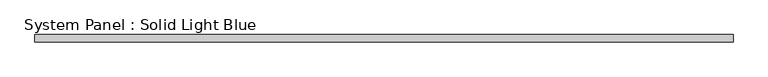
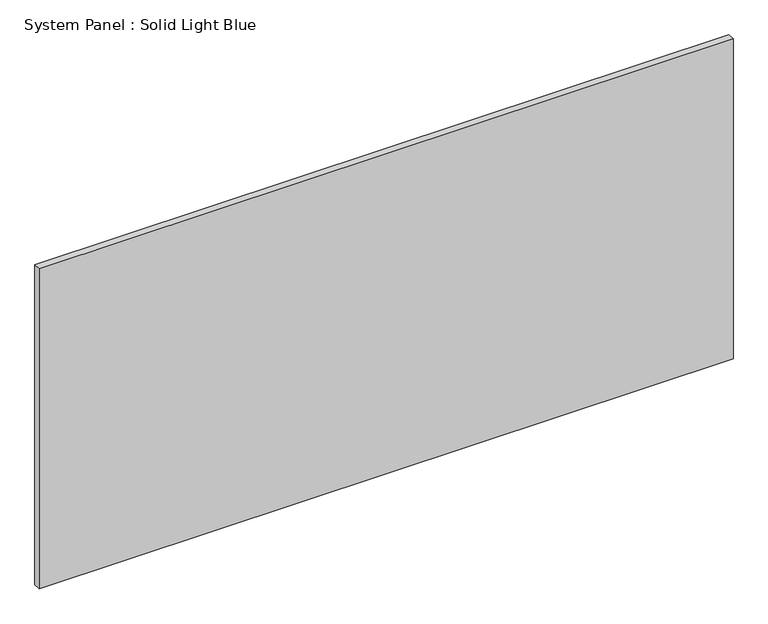
"""IFC4 building model written with IfcOpenShell, lengths in millimetres: plate geometry, System Panel : Solid Light Blue."""

from ifc_helpers import new_model, si_unit, origin, origin_with_axes, place, context, project, spatial, polyline, outline, extrude, source, transform, mapped, element, save


def system_panel_solid_light_blue_c04da586(model_context):
    return source(origin(), model_context, "Body", "SweptSolid", [
        extrude(outline(polyline([(2925.0, -30.0), (-2925.0, -30.0), (-2925.0, 30.0), (2925.0, 30.0), (2925.0, -30.0)])), origin_with_axes(), (0.0, 0.0, 1.0), 2850.0),
    ])


if __name__ == "__main__":
    model = new_model("IFC4")
    model_context = context("Model", 3, world=origin())
    ifc_project = project(units=[si_unit("LENGTHUNIT", "METRE", prefix="MILLI")], contexts=[model_context])
    site = spatial("IfcSite", under=ifc_project)
    building = spatial("IfcBuilding", under=site)
    placement = place(None, origin())
    system_panel_solid_light_blue_shape = system_panel_solid_light_blue_c04da586(model_context)
    element("IfcPlate", 1, ObjectType="System Panel : Solid Light Blue", at=placement, inside=building, context=model_context, shape_type="MappedRepresentation", body=[
        mapped(system_panel_solid_light_blue_shape, transform((0.0, 0.0, 0.0), x_axis=(1.0, 0.0, 0.0), y_axis=(0.0, 1.0, 0.0), z_axis=(0.0, 0.0, 1.0))),
    ])
    save(model, "model.ifc")
